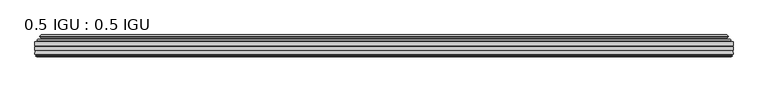
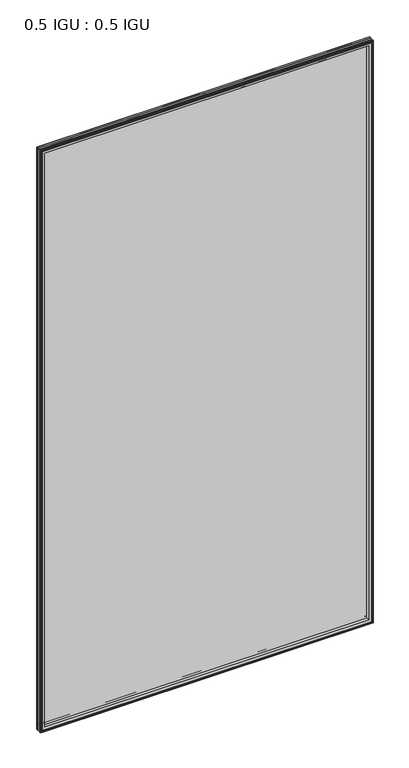
"""IFC4 building model written with IfcOpenShell, lengths in millimetres: plate geometry, 0.5 IGU : 0.5 IGU."""

from ifc_helpers import new_model, si_unit, frame, origin, place, context, project, spatial, polyline, ellipse_curve, outline, extrude, source, transform, mapped, element, save
from ifc_brep_helpers import plane_surface, cylinder_surface, revolved_surface, advanced_brep


def plate_0_5_igu_0_5_igu_6af9eb07(model_context):
    return source(origin(), model_context, "Body", "SolidModel", [
        extrude(outline(polyline([(547.70485, -55.82285), (547.70485, -61.48705), (-547.690675, -61.48705), (-547.690675, -55.82285), (547.70485, -55.82285)])), frame((0.0, 0.0, -14.2875), z_axis=(0.0, 0.0, 1.0), x_axis=(1.0, 0.0, 0.0)), (0.0, 0.0, 1.0), 2025.6537979),
        extrude(outline(polyline([(-547.690675, -69.05625), (-547.690675, -63.39205), (547.70485, -63.39205), (547.70485, -69.05625), (-547.690675, -69.05625)])), frame((0.0, 0.0, -14.2875), z_axis=(0.0, 0.0, 1.0), x_axis=(1.0, 0.0, 0.0)), (0.0, 0.0, 1.0), 2025.6537979),
        advanced_brep(
        [(-543.5881376, -54.3724927, 2007.2599626), (-542.5436128, -51.60645, 2006.2154378), (-542.5436128, -51.60645, -9.1404378), (-543.5881376, -54.3724927, -10.1849626), (-541.951692, -55.82285, 2005.623517), (-541.951692, -55.82285, -8.548517), (-533.403175, -45.63745, 1997.075), (-529.8204511, -55.82285, 1993.4922761), (-529.8204511, -55.82285, 3.5827239), (-533.403175, -45.63745, 0.0), (-538.5890859, -46.8185491, 2002.2609109), (-538.5890859, -46.8185491, -5.1859109), (-537.7920643, -44.8183085, 2001.4638893), (-537.7920643, -44.8183085, -4.3888893), (-540.0757861, -47.135817, 2003.7476111), (-540.0757861, -47.135817, -6.6726111), (-540.0757861, -47.8489429, 2003.7476111), (-540.0757861, -47.8489429, -6.6726111), (-537.7920643, -50.1664515, 2001.4638893), (-537.7920643, -50.1664515, -4.3888893), (-538.5814251, -48.1854367, 2002.2532501), (-538.5814251, -48.1854367, -5.1782501), (-536.0576129, -48.027045, 1999.7294379), (-536.0576129, -48.027045, -2.6544379), (-535.0317967, -48.7147544, 1998.7036217), (-535.0317967, -48.7147544, -1.6286217), (-535.1502038, -50.1092231, 1998.8220288), (-535.1502038, -50.1092231, -1.7470288), (-535.7519498, -51.60645, 1999.4237748), (-535.7519498, -51.60645, -2.3487748), (542.5436128, -51.60645, -9.1404378), (543.5881376, -54.3724927, -10.1849626), (541.951692, -55.82285, -8.548517), (529.8204511, -55.82285, 3.5827239), (533.403175, -45.63745, 0.0), (538.5890859, -46.8185491, -5.1859109), (537.7920643, -44.8183085, -4.3888893), (540.0757861, -47.135817, -6.6726111), (540.0757861, -47.8489429, -6.6726111), (537.7920643, -50.1664515, -4.3888893), (538.5814251, -48.1854367, -5.1782501), (536.0576129, -48.027045, -2.6544379), (535.0317967, -48.7147544, -1.6286217), (535.1502038, -50.1092231, -1.7470288), (535.7519498, -51.60645, -2.3487748), (542.5436128, -51.60645, 2006.2154378), (543.5881376, -54.3724927, 2007.2599626), (541.951692, -55.82285, 2005.623517), (529.8204511, -55.82285, 1993.4922761), (533.403175, -45.63745, 1997.075), (538.5890859, -46.8185491, 2002.2609109), (537.7920643, -44.8183085, 2001.4638893), (540.0757861, -47.135817, 2003.7476111), (540.0757861, -47.8489429, 2003.7476111), (537.7920643, -50.1664515, 2001.4638893), (538.5814251, -48.1854367, 2002.2532501), (536.0576129, -48.027045, 1999.7294379), (535.0317967, -48.7147544, 1998.7036217), (535.1502038, -50.1092231, 1998.8220288), (535.7519498, -51.60645, 1999.4237748)],
        [
            (0, 1, ellipse_curve(frame((-542.5352453, -53.1898501, 2006.2070703), z_axis=(-0.7071067811865475, 0.0, -0.7071067811865475), x_axis=(-0.7071067811865474, 0.0, 0.7071067811865476)), 2.2392971, 1.5834222)),
            (1, 2),
            (2, 3, ellipse_curve(frame((-542.5352453, -53.1898501, -9.1320703), z_axis=(-0.7071067811865475, 0.0, 0.7071067811865475), x_axis=(0.7071067811865474, 0.0, 0.7071067811865476)), 2.2392971, 1.5834222)),
            (3, 0),
            (4, 0),
            (3, 5),
            (5, 4),
            (6, 7, ellipse_curve(frame((-501.123421, -40.0058297, 1964.795246), z_axis=(0.7071067811865475, 0.0, 0.7071067811865475), x_axis=(0.7071067811865474, 0.0, -0.7071067811865476)), 46.3399971, 32.7673262)),
            (7, 8),
            (8, 9, ellipse_curve(frame((-501.123421, -40.0058297, 32.279754), z_axis=(0.7071067811865475, 0.0, -0.7071067811865475), x_axis=(-0.7071067811865474, 0.0, -0.7071067811865476)), 46.3399971, 32.7673262)),
            (9, 6),
            (10, 6),
            (9, 11),
            (11, 10),
            (12, 10),
            (11, 13),
            (13, 12),
            (14, 12),
            (13, 15),
            (15, 14),
            (16, 14, ellipse_curve(frame((-539.7139479, -47.49238, 2003.3857729), z_axis=(-0.7071067811865475, 0.0, -0.7071067811865475), x_axis=(-0.7071067811865474, 0.0, 0.7071067811865476)), 0.7184205, 0.508)),
            (15, 17, ellipse_curve(frame((-539.7139479, -47.49238, -6.3107729), z_axis=(-0.7071067811865475, 0.0, 0.7071067811865475), x_axis=(0.7071067811865474, 0.0, 0.7071067811865476)), 0.7184205, 0.508)),
            (17, 16),
            (18, 16),
            (17, 19),
            (19, 18),
            (20, 18),
            (19, 21),
            (21, 20),
            (22, 20),
            (21, 23),
            (23, 22),
            (24, 22, ellipse_curve(frame((-535.993975, -49.04105, 1999.6658), z_axis=(0.7071067811865475, 0.0, 0.7071067811865475), x_axis=(0.7071067811865474, 0.0, -0.7071067811865476)), 1.436841, 1.016)),
            (23, 25, ellipse_curve(frame((-535.993975, -49.04105, -2.5908), z_axis=(0.7071067811865475, 0.0, -0.7071067811865475), x_axis=(-0.7071067811865474, 0.0, -0.7071067811865476)), 1.436841, 1.016)),
            (25, 24),
            (26, 24, ellipse_curve(frame((-537.365575, -49.21885, 2001.0374), z_axis=(0.7071067811865475, 0.0, 0.7071067811865475), x_axis=(0.7071067811865474, 0.0, -0.7071067811865476)), 3.3765763, 2.3876)),
            (25, 27, ellipse_curve(frame((-537.365575, -49.21885, -3.9624), z_axis=(0.7071067811865475, 0.0, -0.7071067811865475), x_axis=(-0.7071067811865474, 0.0, -0.7071067811865476)), 3.3765763, 2.3876)),
            (27, 26),
            (28, 26),
            (27, 29),
            (29, 28),
            (2, 30),
            (30, 31, ellipse_curve(frame((542.5352453, -53.1898501, -9.1320703), z_axis=(-0.7071067811865475, 0.0, -0.7071067811865475), x_axis=(-0.7071067811865476, 0.0, 0.7071067811865474)), 2.2392971, 1.5834222)),
            (31, 3),
            (31, 32),
            (32, 5),
            (8, 33),
            (33, 34, ellipse_curve(frame((501.123421, -40.0058297, 32.279754), z_axis=(0.7071067811865475, 0.0, 0.7071067811865475), x_axis=(0.7071067811865476, 0.0, -0.7071067811865474)), 46.3399971, 32.7673262)),
            (34, 9),
            (34, 35),
            (35, 11),
            (35, 36),
            (36, 13),
            (36, 37),
            (37, 15),
            (37, 38, ellipse_curve(frame((539.7139479, -47.49238, -6.3107729), z_axis=(-0.7071067811865475, 0.0, -0.7071067811865475), x_axis=(-0.7071067811865476, 0.0, 0.7071067811865474)), 0.7184205, 0.508)),
            (38, 17),
            (38, 39),
            (39, 19),
            (39, 40),
            (40, 21),
            (40, 41),
            (41, 23),
            (41, 42, ellipse_curve(frame((535.993975, -49.04105, -2.5908), z_axis=(0.7071067811865475, 0.0, 0.7071067811865475), x_axis=(0.7071067811865476, 0.0, -0.7071067811865474)), 1.436841, 1.016)),
            (42, 25),
            (42, 43, ellipse_curve(frame((537.365575, -49.21885, -3.9624), z_axis=(0.7071067811865475, 0.0, 0.7071067811865475), x_axis=(0.7071067811865476, 0.0, -0.7071067811865474)), 3.3765763, 2.3876)),
            (43, 27),
            (43, 44),
            (44, 29),
            (30, 45),
            (45, 46, ellipse_curve(frame((542.5352453, -53.1898501, 2006.2070703), z_axis=(0.7071067811865475, 0.0, -0.7071067811865475), x_axis=(-0.7071067811865474, 0.0, -0.7071067811865476)), 2.2392971, 1.5834222)),
            (46, 31),
            (46, 47),
            (47, 32),
            (33, 48),
            (48, 49, ellipse_curve(frame((501.123421, -40.0058297, 1964.795246), z_axis=(-0.7071067811865475, 0.0, 0.7071067811865475), x_axis=(0.7071067811865474, 0.0, 0.7071067811865476)), 46.3399971, 32.7673262)),
            (49, 34),
            (49, 50),
            (50, 35),
            (50, 51),
            (51, 36),
            (51, 52),
            (52, 37),
            (52, 53, ellipse_curve(frame((539.7139479, -47.49238, 2003.3857729), z_axis=(0.7071067811865475, 0.0, -0.7071067811865475), x_axis=(-0.7071067811865474, 0.0, -0.7071067811865476)), 0.7184205, 0.508)),
            (53, 38),
            (53, 54),
            (54, 39),
            (54, 55),
            (55, 40),
            (55, 56),
            (56, 41),
            (56, 57, ellipse_curve(frame((535.993975, -49.04105, 1999.6658), z_axis=(-0.7071067811865475, 0.0, 0.7071067811865475), x_axis=(0.7071067811865474, 0.0, 0.7071067811865476)), 1.436841, 1.016)),
            (57, 42),
            (57, 58, ellipse_curve(frame((537.365575, -49.21885, 2001.0374), z_axis=(-0.7071067811865475, 0.0, 0.7071067811865475), x_axis=(0.7071067811865474, 0.0, 0.7071067811865476)), 3.3765763, 2.3876)),
            (58, 43),
            (58, 59),
            (59, 44),
            (45, 1),
            (0, 46),
            (4, 47),
            (7, 48),
            (6, 49),
            (10, 50),
            (12, 51),
            (14, 52),
            (16, 53),
            (18, 54),
            (20, 55),
            (22, 56),
            (24, 57),
            (26, 58),
            (28, 59),
        ],
        [
            cylinder_surface(frame((-542.5352453, -53.1898501, 2028.825), z_axis=(0.0, 0.0, 1.0), x_axis=(-1.0, 0.0, 0.0)), 1.5834222),
            plane_surface(frame((-543.5881376, -54.3724927, 2007.2599626), z_axis=(-0.6632745773184306, -0.7483761320907135, 0.0), x_axis=(0.0, 0.0, -1.0))),
            revolved_surface(polyline([(-533.8907472, -40.0058297, -0.48757218957507575), (-533.8907472, -40.0058297, 1997.562572189575)]), (-501.123421, -40.0058297, 2028.825), (0.0, 0.0, -1.0)),
            plane_surface(frame((-533.403175, -45.63745, 1997.075), z_axis=(-0.22206498442787428, 0.975031867525902, 0.0), x_axis=(0.0, 0.0, -1.0))),
            plane_surface(frame((-538.5890859, -46.8185491, 2002.2609109), z_axis=(0.9289682685630282, -0.370159365683228, 0.0), x_axis=(0.0, 0.0, -1.0))),
            plane_surface(frame((-537.7920643, -44.8183085, 2001.4638893), z_axis=(-0.7122798501733507, 0.7018955869907071, 0.0), x_axis=(0.0, 0.0, -1.0))),
            cylinder_surface(frame((-539.7139479, -47.49238, 2028.825), z_axis=(0.0, 0.0, 1.0), x_axis=(-1.0, 0.0, 0.0)), 0.508),
            plane_surface(frame((-540.0757861, -47.8489429, 2003.7476111), z_axis=(-0.7122798501732925, -0.701895586990766, 0.0), x_axis=(0.0, 0.0, -1.0))),
            plane_surface(frame((-537.7920643, -50.1664515, 2001.4638893), z_axis=(0.9289682685628707, 0.3701593656836228, 0.0), x_axis=(0.0, 0.0, -1.0))),
            plane_surface(frame((-538.5814251, -48.1854367, 2002.2532501), z_axis=(0.06263570119284978, -0.9980364567169279, 0.0), x_axis=(0.0, 0.0, -1.0))),
            revolved_surface(polyline([(-537.0099749999999, -49.04105, -3.6068000145867245), (-537.0099749999999, -49.04105, 2000.6818000145868)]), (-535.993975, -49.04105, 2028.825), (0.0, 0.0, -1.0)),
            revolved_surface(polyline([(-539.753175, -49.21885, -6.3499999989237494), (-539.753175, -49.21885, 2003.4249999989238)]), (-537.365575, -49.21885, 2028.825), (0.0, 0.0, -1.0)),
            plane_surface(frame((-535.1502038, -50.1092231, 1998.8220288), z_axis=(-0.9278652925428184, 0.3729155385532094, 0.0), x_axis=(0.0, 0.0, -1.0))),
            cylinder_surface(frame((-565.153175, -53.1898501, -9.1320703), z_axis=(-1.0, 0.0, 0.0), x_axis=(0.0, 0.0, -1.0)), 1.5834222),
            plane_surface(frame((-543.5881376, -54.3724927, -10.1849626), z_axis=(0.0, -0.7483761320907157, -0.6632745773184283), x_axis=(1.0, 0.0, 0.0))),
            revolved_surface(polyline([(533.8907471895751, -40.0058297, -0.48757220000000245), (-533.890747189575, -40.0058297, -0.48757220000000245)]), (-565.153175, -40.0058297, 32.279754), (1.0, 0.0, 0.0)),
            plane_surface(frame((-533.403175, -45.63745, 0.0), z_axis=(0.0, 0.9750318675259013, -0.22206498442787745), x_axis=(1.0, 0.0, 0.0))),
            plane_surface(frame((-538.5890859, -46.8185491, -5.1859109), z_axis=(0.0, -0.370159365683225, 0.9289682685630294), x_axis=(1.0, 0.0, 0.0))),
            plane_surface(frame((-537.7920643, -44.8183085, -4.3888893), z_axis=(0.0, 0.7018955869907048, -0.7122798501733529), x_axis=(1.0, 0.0, 0.0))),
            cylinder_surface(frame((-565.153175, -47.49238, -6.3107729), z_axis=(-1.0, 0.0, 0.0), x_axis=(0.0, 0.0, -1.0)), 0.508),
            plane_surface(frame((-540.0757861, -47.8489429, -6.6726111), z_axis=(0.0, -0.7018955869907684, -0.7122798501732903), x_axis=(1.0, 0.0, 0.0))),
            plane_surface(frame((-537.7920643, -50.1664515, -4.3888893), z_axis=(0.0, 0.37015936568362584, 0.9289682685628696), x_axis=(1.0, 0.0, 0.0))),
            plane_surface(frame((-538.5814251, -48.1854367, -5.1782501), z_axis=(0.0, -0.9980364567169276, 0.06263570119285301), x_axis=(1.0, 0.0, 0.0))),
            revolved_surface(polyline([(537.0099750145868, -49.04105, -3.6068000000000002), (-537.0099750145869, -49.04105, -3.6068000000000002)]), (-565.153175, -49.04105, -2.5908), (1.0, 0.0, 0.0)),
            revolved_surface(polyline([(539.753174998924, -49.21885, -6.35), (-539.7531749989238, -49.21885, -6.35)]), (-565.153175, -49.21885, -3.9624), (1.0, 0.0, 0.0)),
            plane_surface(frame((-535.1502038, -50.1092231, -1.7470288), z_axis=(0.0, 0.3729155385532064, -0.9278652925428196), x_axis=(1.0, 0.0, 0.0))),
            cylinder_surface(frame((542.5352453, -53.1898501, -31.75), z_axis=(0.0, 0.0, -1.0), x_axis=(1.0, 0.0, 0.0)), 1.5834222),
            plane_surface(frame((543.5881376, -54.3724927, -10.1849626), z_axis=(0.6632745773184259, -0.7483761320907178, 0.0), x_axis=(0.0, 0.0, 1.0))),
            revolved_surface(polyline([(533.8907472, -40.0058297, 1997.562572189575), (533.8907472, -40.0058297, -0.48757218957494075)]), (501.123421, -40.0058297, -31.75), (0.0, 0.0, 1.0)),
            plane_surface(frame((533.403175, -45.63745, 0.0), z_axis=(0.22206498442788059, 0.9750318675259005, 0.0), x_axis=(0.0, 0.0, 1.0))),
            plane_surface(frame((538.5890859, -46.8185491, -5.1859109), z_axis=(-0.9289682685630306, -0.370159365683222, 0.0), x_axis=(0.0, 0.0, 1.0))),
            plane_surface(frame((537.7920643, -44.8183085, -4.3888893), z_axis=(0.7122798501733552, 0.7018955869907024, 0.0), x_axis=(0.0, 0.0, 1.0))),
            cylinder_surface(frame((539.7139479, -47.49238, -31.75), z_axis=(0.0, 0.0, -1.0), x_axis=(1.0, 0.0, 0.0)), 0.508),
            plane_surface(frame((540.0757861, -47.8489429, -6.6726111), z_axis=(0.712279850173288, -0.7018955869907706, 0.0), x_axis=(0.0, 0.0, 1.0))),
            plane_surface(frame((537.7920643, -50.1664515, -4.3888893), z_axis=(-0.9289682685628684, 0.37015936568362884, 0.0), x_axis=(0.0, 0.0, 1.0))),
            plane_surface(frame((538.5814251, -48.1854367, -5.1782501), z_axis=(-0.06263570119285625, -0.9980364567169274, 0.0), x_axis=(0.0, 0.0, 1.0))),
            revolved_surface(polyline([(537.0099749999999, -49.04105, 2000.6818000145868), (537.0099749999999, -49.04105, -3.606800014586863)]), (535.993975, -49.04105, -31.75), (0.0, 0.0, 1.0)),
            revolved_surface(polyline([(539.753175, -49.21885, 2003.4249999989238), (539.753175, -49.21885, -6.349999998923781)]), (537.365575, -49.21885, -31.75), (0.0, 0.0, 1.0)),
            plane_surface(frame((535.1502038, -50.1092231, -1.7470288), z_axis=(0.9278652925428208, 0.3729155385532034, 0.0), x_axis=(0.0, 0.0, 1.0))),
            cylinder_surface(frame((565.153175, -53.1898501, 2006.2070703), z_axis=(1.0, 0.0, 0.0), x_axis=(0.0, 0.0, 1.0)), 1.5834222),
            plane_surface(frame((543.5881376, -54.3724927, 2007.2599626), z_axis=(0.0, -0.7483761320907157, 0.6632745773184283), x_axis=(-1.0, 0.0, 0.0))),
            plane_surface(frame((541.951692, -55.82285, 2005.623517), z_axis=(0.0, -1.0, 0.0), x_axis=(-1.0, 0.0, 0.0))),
            revolved_surface(polyline([(-533.8907471895751, -40.0058297, 1997.5625722), (533.890747189575, -40.0058297, 1997.5625722)]), (565.153175, -40.0058297, 1964.795246), (-1.0, 0.0, 0.0)),
            plane_surface(frame((533.403175, -45.63745, 1997.075), z_axis=(0.0, 0.9750318675259012, 0.22206498442787742), x_axis=(-1.0, 0.0, 0.0))),
            plane_surface(frame((538.5890859, -46.8185491, 2002.2609109), z_axis=(0.0, -0.370159365683225, -0.9289682685630294), x_axis=(-1.0, 0.0, 0.0))),
            plane_surface(frame((537.7920643, -44.8183085, 2001.4638893), z_axis=(0.0, 0.7018955869907048, 0.7122798501733529), x_axis=(-1.0, 0.0, 0.0))),
            cylinder_surface(frame((565.153175, -47.49238, 2003.3857729), z_axis=(1.0, 0.0, 0.0), x_axis=(0.0, 0.0, 1.0)), 0.508),
            plane_surface(frame((540.0757861, -47.8489429, 2003.7476111), z_axis=(0.0, -0.7018955869907684, 0.7122798501732903), x_axis=(-1.0, 0.0, 0.0))),
            plane_surface(frame((537.7920643, -50.1664515, 2001.4638893), z_axis=(0.0, 0.37015936568362584, -0.9289682685628696), x_axis=(-1.0, 0.0, 0.0))),
            plane_surface(frame((538.5814251, -48.1854367, 2002.2532501), z_axis=(0.0, -0.9980364567169276, -0.06263570119285301), x_axis=(-1.0, 0.0, 0.0))),
            revolved_surface(polyline([(-537.0099750145868, -49.04105, 2000.6818), (537.0099750145869, -49.04105, 2000.6818)]), (565.153175, -49.04105, 1999.6658), (-1.0, 0.0, 0.0)),
            revolved_surface(polyline([(-539.753174998924, -49.21885, 2003.425), (539.7531749989238, -49.21885, 2003.425)]), (565.153175, -49.21885, 2001.0374), (-1.0, 0.0, 0.0)),
            plane_surface(frame((535.1502038, -50.1092231, 1998.8220288), z_axis=(0.0, 0.3729155385532064, 0.9278652925428196), x_axis=(-1.0, 0.0, 0.0))),
            plane_surface(frame((535.7519498, -51.60645, 1999.4237748), z_axis=(0.0, 1.0, 0.0), x_axis=(-1.0, 0.0, 0.0))),
        ],
        [
            (0, [[1, 2, 3, 4]]),
            (1, [[5, -4, 6, 7]]),
            (2, [[8, 9, 10, 11]]),
            (3, [[12, -11, 13, 14]]),
            (4, [[15, -14, 16, 17]]),
            (5, [[18, -17, 19, 20]]),
            (6, [[21, -20, 22, 23]]),
            (7, [[24, -23, 25, 26]]),
            (8, [[27, -26, 28, 29]]),
            (9, [[30, -29, 31, 32]]),
            (10, [[33, -32, 34, 35]]),
            (11, [[36, -35, 37, 38]]),
            (12, [[39, -38, 40, 41]]),
            (13, [[-3, 42, 43, 44]]),
            (14, [[-6, -44, 45, 46]]),
            (15, [[-10, 47, 48, 49]]),
            (16, [[-13, -49, 50, 51]]),
            (17, [[-16, -51, 52, 53]]),
            (18, [[-19, -53, 54, 55]]),
            (19, [[-22, -55, 56, 57]]),
            (20, [[-25, -57, 58, 59]]),
            (21, [[-28, -59, 60, 61]]),
            (22, [[-31, -61, 62, 63]]),
            (23, [[-34, -63, 64, 65]]),
            (24, [[-37, -65, 66, 67]]),
            (25, [[-40, -67, 68, 69]]),
            (26, [[-43, 70, 71, 72]]),
            (27, [[-45, -72, 73, 74]]),
            (28, [[-48, 75, 76, 77]]),
            (29, [[-50, -77, 78, 79]]),
            (30, [[-52, -79, 80, 81]]),
            (31, [[-54, -81, 82, 83]]),
            (32, [[-56, -83, 84, 85]]),
            (33, [[-58, -85, 86, 87]]),
            (34, [[-60, -87, 88, 89]]),
            (35, [[-62, -89, 90, 91]]),
            (36, [[-64, -91, 92, 93]]),
            (37, [[-66, -93, 94, 95]]),
            (38, [[-68, -95, 96, 97]]),
            (39, [[-71, 98, -1, 99]]),
            (40, [[-73, -99, -5, 100]]),
            (41, [[-46, -74, -100, -7], [101, -75, -47, -9]]),
            (42, [[-76, -101, -8, 102]]),
            (43, [[-78, -102, -12, 103]]),
            (44, [[-80, -103, -15, 104]]),
            (45, [[-82, -104, -18, 105]]),
            (46, [[-84, -105, -21, 106]]),
            (47, [[-86, -106, -24, 107]]),
            (48, [[-88, -107, -27, 108]]),
            (49, [[-90, -108, -30, 109]]),
            (50, [[-92, -109, -33, 110]]),
            (51, [[-94, -110, -36, 111]]),
            (52, [[-96, -111, -39, 112]]),
            (53, [[-98, -70, -42, -2], [-69, -97, -112, -41]]),
        ],
    ),
        advanced_brep(
        [(-547.703375, -75.40625, 2011.3752), (-547.0085912, -69.7476901, 2010.6804162), (-547.0085912, -69.7476901, -13.6054162), (-547.703375, -75.40625, -14.3002), (-545.315775, -77.3973143, 2008.9876), (-545.772975, -75.40625, 2009.4448), (-545.772975, -75.40625, -12.3698), (-545.315775, -77.3973143, -11.9126), (-546.3171369, -77.1290001, 2009.9889619), (-546.3171369, -77.1290001, -12.9139619), (-546.560375, -78.0367772, 2010.2322), (-546.560375, -78.0367772, -13.1572), (-544.528375, -78.58125, 2008.2002), (-544.528375, -78.58125, -11.1252), (-542.496375, -78.0367772, 2006.1682), (-542.496375, -78.0367772, -9.0932), (-542.7396131, -77.1290001, 2006.4114381), (-542.7396131, -77.1290001, -9.3364381), (-543.740975, -77.3973143, 2007.4128), (-543.740975, -77.3973143, -10.3378), (-543.283775, -75.40625, 2006.9556), (-543.283775, -75.40625, -9.8806), (-529.8137119, -69.05625, 1993.4855369), (-533.403175, -75.40625, 1997.075), (-533.403175, -75.40625, 0.0), (-529.8137119, -69.05625, 3.5894631), (-546.2270604, -69.05625, 2009.8988854), (-546.2270604, -69.05625, -12.8238854), (547.0085912, -69.7476901, -13.6054162), (547.703375, -75.40625, -14.3002), (545.772975, -75.40625, -12.3698), (545.315775, -77.3973143, -11.9126), (546.3171369, -77.1290001, -12.9139619), (546.560375, -78.0367772, -13.1572), (544.528375, -78.58125, -11.1252), (542.496375, -78.0367772, -9.0932), (542.7396131, -77.1290001, -9.3364381), (543.740975, -77.3973143, -10.3378), (543.283775, -75.40625, -9.8806), (533.403175, -75.40625, 0.0), (529.8137119, -69.05625, 3.5894631), (546.2270604, -69.05625, -12.8238854), (547.0085912, -69.7476901, 2010.6804162), (547.703375, -75.40625, 2011.3752), (545.772975, -75.40625, 2009.4448), (545.315775, -77.3973143, 2008.9876), (546.3171369, -77.1290001, 2009.9889619), (546.560375, -78.0367772, 2010.2322), (544.528375, -78.58125, 2008.2002), (542.496375, -78.0367772, 2006.1682), (542.7396131, -77.1290001, 2006.4114381), (543.740975, -77.3973143, 2007.4128), (543.283775, -75.40625, 2006.9556), (533.403175, -75.40625, 1997.075), (529.8137119, -69.05625, 1993.4855369), (546.2270604, -69.05625, 2009.8988854)],
        [
            (0, 1),
            (1, 2),
            (2, 3),
            (3, 0),
            (4, 5),
            (5, 6),
            (6, 7),
            (7, 4),
            (8, 4),
            (7, 9),
            (9, 8),
            (10, 8),
            (9, 11),
            (11, 10),
            (12, 10),
            (11, 13),
            (13, 12),
            (14, 12),
            (13, 15),
            (15, 14),
            (16, 14),
            (15, 17),
            (17, 16),
            (18, 16),
            (17, 19),
            (19, 18),
            (20, 18),
            (19, 21),
            (21, 20),
            (22, 23, ellipse_curve(frame((-524.9268864, -76.0081323, 1988.5987114), z_axis=(0.7071067811865475, 0.0, 0.7071067811865475), x_axis=(0.7071067811865474, 0.0, -0.7071067811865476)), 12.0174649, 8.4976309)),
            (23, 24),
            (24, 25, ellipse_curve(frame((-524.9268864, -76.0081323, 8.4762886), z_axis=(0.7071067811865475, 0.0, -0.7071067811865475), x_axis=(-0.7071067811865474, 0.0, -0.7071067811865476)), 12.0174649, 8.4976309)),
            (25, 22),
            (1, 26, ellipse_curve(frame((-546.2270604, -69.84365, 2009.8988854), z_axis=(-0.7071067811865475, 0.0, -0.7071067811865475), x_axis=(-0.7071067811865474, 0.0, 0.7071067811865476)), 1.1135518, 0.7874)),
            (26, 27),
            (27, 2, ellipse_curve(frame((-546.2270604, -69.84365, -12.8238854), z_axis=(-0.7071067811865475, 0.0, 0.7071067811865475), x_axis=(0.7071067811865474, 0.0, 0.7071067811865476)), 1.1135518, 0.7874)),
            (2, 28),
            (28, 29),
            (29, 3),
            (6, 30),
            (30, 31),
            (31, 7),
            (31, 32),
            (32, 9),
            (32, 33),
            (33, 11),
            (33, 34),
            (34, 13),
            (34, 35),
            (35, 15),
            (35, 36),
            (36, 17),
            (36, 37),
            (37, 19),
            (37, 38),
            (38, 21),
            (24, 39),
            (39, 40, ellipse_curve(frame((524.9268864, -76.0081323, 8.4762886), z_axis=(0.7071067811865475, 0.0, 0.7071067811865475), x_axis=(0.7071067811865476, 0.0, -0.7071067811865474)), 12.0174649, 8.4976309)),
            (40, 25),
            (27, 41),
            (41, 28, ellipse_curve(frame((546.2270604, -69.84365, -12.8238854), z_axis=(-0.7071067811865475, 0.0, -0.7071067811865475), x_axis=(-0.7071067811865476, 0.0, 0.7071067811865474)), 1.1135518, 0.7874)),
            (28, 42),
            (42, 43),
            (43, 29),
            (30, 44),
            (44, 45),
            (45, 31),
            (45, 46),
            (46, 32),
            (46, 47),
            (47, 33),
            (47, 48),
            (48, 34),
            (48, 49),
            (49, 35),
            (49, 50),
            (50, 36),
            (50, 51),
            (51, 37),
            (51, 52),
            (52, 38),
            (39, 53),
            (53, 54, ellipse_curve(frame((524.9268864, -76.0081323, 1988.5987114), z_axis=(-0.7071067811865475, 0.0, 0.7071067811865475), x_axis=(0.7071067811865474, 0.0, 0.7071067811865476)), 12.0174649, 8.4976309)),
            (54, 40),
            (41, 55),
            (55, 42, ellipse_curve(frame((546.2270604, -69.84365, 2009.8988854), z_axis=(0.7071067811865475, 0.0, -0.7071067811865475), x_axis=(-0.7071067811865474, 0.0, -0.7071067811865476)), 1.1135518, 0.7874)),
            (42, 1),
            (0, 43),
            (5, 44),
            (4, 45),
            (8, 46),
            (10, 47),
            (12, 48),
            (14, 49),
            (16, 50),
            (18, 51),
            (20, 52),
            (23, 53),
            (22, 54),
            (26, 55),
        ],
        [
            plane_surface(frame((-547.0085912, -69.7476901, 2010.6804162), z_axis=(-0.992546151641325, 0.12186934340512405, 0.0), x_axis=(0.0, 0.0, -1.0))),
            plane_surface(frame((-545.772975, -75.40625, 2009.4448), z_axis=(-0.9746347637895902, -0.22380142361658395, 0.0), x_axis=(0.0, 0.0, -1.0))),
            plane_surface(frame((-545.315775, -77.3973143, 2008.9876), z_axis=(0.2588190451026526, 0.965925826289033, 0.0), x_axis=(0.0, 0.0, -1.0))),
            plane_surface(frame((-546.3171369, -77.1290001, 2009.9889619), z_axis=(-0.9659258262890449, 0.2588190451026083, 0.0), x_axis=(0.0, 0.0, -1.0))),
            plane_surface(frame((-546.560375, -78.0367772, 2010.2322), z_axis=(-0.2588190451024403, -0.96592582628909, 0.0), x_axis=(0.0, 0.0, -1.0))),
            plane_surface(frame((-544.528375, -78.58125, 2008.2002), z_axis=(0.2588190451025434, -0.9659258262890623, 0.0), x_axis=(0.0, 0.0, -1.0))),
            plane_surface(frame((-542.496375, -78.0367772, 2006.1682), z_axis=(0.9659258262891713, 0.25881904510213655, 0.0), x_axis=(0.0, 0.0, -1.0))),
            plane_surface(frame((-542.7396131, -77.1290001, 2006.4114381), z_axis=(-0.25881904510234177, 0.9659258262891163, 0.0), x_axis=(0.0, 0.0, -1.0))),
            plane_surface(frame((-543.740975, -77.3973143, 2007.4128), z_axis=(0.9746347637895849, -0.22380142361660746, 0.0), x_axis=(0.0, 0.0, -1.0))),
            revolved_surface(polyline([(-533.4245172999999, -76.0081323, -0.021342323461112755), (-533.4245172999999, -76.0081323, 1997.0963423234612)]), (-524.9268864, -76.0081323, 2028.825), (0.0, 0.0, -1.0)),
            cylinder_surface(frame((-546.2270604, -69.84365, 2028.825), z_axis=(0.0, 0.0, 1.0), x_axis=(-1.0, 0.0, 0.0)), 0.7874),
            plane_surface(frame((-547.0085912, -69.7476901, -13.6054162), z_axis=(0.0, 0.12186934340512084, -0.9925461516413254), x_axis=(1.0, 0.0, 0.0))),
            plane_surface(frame((-545.772975, -75.40625, -12.3698), z_axis=(0.0, -0.22380142361658714, -0.9746347637895896), x_axis=(1.0, 0.0, 0.0))),
            plane_surface(frame((-545.315775, -77.3973143, -11.9126), z_axis=(0.0, 0.9659258262890339, 0.25881904510264947), x_axis=(1.0, 0.0, 0.0))),
            plane_surface(frame((-546.3171369, -77.1290001, -12.9139619), z_axis=(0.0, 0.25881904510260517, -0.9659258262890458), x_axis=(1.0, 0.0, 0.0))),
            plane_surface(frame((-546.560375, -78.0367772, -13.1572), z_axis=(0.0, -0.9659258262890907, -0.25881904510243714), x_axis=(1.0, 0.0, 0.0))),
            plane_surface(frame((-544.528375, -78.58125, -11.1252), z_axis=(0.0, -0.9659258262890614, 0.2588190451025465), x_axis=(1.0, 0.0, 0.0))),
            plane_surface(frame((-542.496375, -78.0367772, -9.0932), z_axis=(0.0, 0.25881904510213966, 0.9659258262891705), x_axis=(1.0, 0.0, 0.0))),
            plane_surface(frame((-542.7396131, -77.1290001, -9.3364381), z_axis=(0.0, 0.9659258262891154, -0.2588190451023449), x_axis=(1.0, 0.0, 0.0))),
            plane_surface(frame((-543.740975, -77.3973143, -10.3378), z_axis=(0.0, -0.2238014236166043, 0.9746347637895857), x_axis=(1.0, 0.0, 0.0))),
            revolved_surface(polyline([(533.4245173234611, -76.0081323, -0.02134230000000059), (-533.4245173234613, -76.0081323, -0.02134230000000059)]), (-565.153175, -76.0081323, 8.4762886), (1.0, 0.0, 0.0)),
            cylinder_surface(frame((-565.153175, -69.84365, -12.8238854), z_axis=(-1.0, 0.0, 0.0), x_axis=(0.0, 0.0, -1.0)), 0.7874),
            plane_surface(frame((547.0085912, -69.7476901, -13.6054162), z_axis=(0.9925461516413259, 0.12186934340511764, 0.0), x_axis=(0.0, 0.0, 1.0))),
            plane_surface(frame((545.772975, -75.40625, -12.3698), z_axis=(0.9746347637895888, -0.2238014236165903, 0.0), x_axis=(0.0, 0.0, 1.0))),
            plane_surface(frame((545.315775, -77.3973143, -11.9126), z_axis=(-0.25881904510264636, 0.9659258262890348, 0.0), x_axis=(0.0, 0.0, 1.0))),
            plane_surface(frame((546.3171369, -77.1290001, -12.9139619), z_axis=(0.9659258262890467, 0.25881904510260206, 0.0), x_axis=(0.0, 0.0, 1.0))),
            plane_surface(frame((546.560375, -78.0367772, -13.1572), z_axis=(0.25881904510243403, -0.9659258262890916, 0.0), x_axis=(0.0, 0.0, 1.0))),
            plane_surface(frame((544.528375, -78.58125, -11.1252), z_axis=(-0.25881904510254966, -0.9659258262890607, 0.0), x_axis=(0.0, 0.0, 1.0))),
            plane_surface(frame((542.496375, -78.0367772, -9.0932), z_axis=(-0.9659258262891696, 0.25881904510214276, 0.0), x_axis=(0.0, 0.0, 1.0))),
            plane_surface(frame((542.7396131, -77.1290001, -9.3364381), z_axis=(0.25881904510234804, 0.9659258262891146, 0.0), x_axis=(0.0, 0.0, 1.0))),
            plane_surface(frame((543.740975, -77.3973143, -10.3378), z_axis=(-0.9746347637895865, -0.22380142361660113, 0.0), x_axis=(0.0, 0.0, 1.0))),
            revolved_surface(polyline([(533.4245172999999, -76.0081323, 1997.0963423234612), (533.4245172999999, -76.0081323, -0.021342323461311707)]), (524.9268864, -76.0081323, -31.75), (0.0, 0.0, 1.0)),
            cylinder_surface(frame((546.2270604, -69.84365, -31.75), z_axis=(0.0, 0.0, -1.0), x_axis=(1.0, 0.0, 0.0)), 0.7874),
            plane_surface(frame((547.0085912, -69.7476901, 2010.6804162), z_axis=(0.0, 0.12186934340512084, 0.9925461516413254), x_axis=(-1.0, 0.0, 0.0))),
            plane_surface(frame((547.703375, -75.40625, 2011.3752), z_axis=(0.0, -1.0, 0.0), x_axis=(-1.0, 0.0, 0.0))),
            plane_surface(frame((545.772975, -75.40625, 2009.4448), z_axis=(0.0, -0.22380142361658714, 0.9746347637895896), x_axis=(-1.0, 0.0, 0.0))),
            plane_surface(frame((545.315775, -77.3973143, 2008.9876), z_axis=(0.0, 0.9659258262890339, -0.25881904510264947), x_axis=(-1.0, 0.0, 0.0))),
            plane_surface(frame((546.3171369, -77.1290001, 2009.9889619), z_axis=(0.0, 0.25881904510260517, 0.9659258262890458), x_axis=(-1.0, 0.0, 0.0))),
            plane_surface(frame((546.560375, -78.0367772, 2010.2322), z_axis=(0.0, -0.9659258262890907, 0.25881904510243714), x_axis=(-1.0, 0.0, 0.0))),
            plane_surface(frame((544.528375, -78.58125, 2008.2002), z_axis=(0.0, -0.9659258262890614, -0.25881904510254655), x_axis=(-1.0, 0.0, 0.0))),
            plane_surface(frame((542.496375, -78.0367772, 2006.1682), z_axis=(0.0, 0.25881904510213966, -0.9659258262891705), x_axis=(-1.0, 0.0, 0.0))),
            plane_surface(frame((542.7396131, -77.1290001, 2006.4114381), z_axis=(0.0, 0.9659258262891155, 0.25881904510234494), x_axis=(-1.0, 0.0, 0.0))),
            plane_surface(frame((543.740975, -77.3973143, 2007.4128), z_axis=(0.0, -0.2238014236166043, -0.9746347637895857), x_axis=(-1.0, 0.0, 0.0))),
            plane_surface(frame((543.283775, -75.40625, 2006.9556), z_axis=(0.0, -1.0, 0.0), x_axis=(-1.0, 0.0, 0.0))),
            revolved_surface(polyline([(-533.4245173234611, -76.0081323, 1997.0963423), (533.4245173234613, -76.0081323, 1997.0963423)]), (565.153175, -76.0081323, 1988.5987114), (-1.0, 0.0, 0.0)),
            plane_surface(frame((529.8137119, -69.05625, 1993.4855369), z_axis=(0.0, 1.0, 0.0), x_axis=(-1.0, 0.0, 0.0))),
            cylinder_surface(frame((565.153175, -69.84365, 2009.8988854), z_axis=(1.0, 0.0, 0.0), x_axis=(0.0, 0.0, 1.0)), 0.7874),
        ],
        [
            (0, [[1, 2, 3, 4]]),
            (1, [[5, 6, 7, 8]]),
            (2, [[9, -8, 10, 11]]),
            (3, [[12, -11, 13, 14]]),
            (4, [[15, -14, 16, 17]]),
            (5, [[18, -17, 19, 20]]),
            (6, [[21, -20, 22, 23]]),
            (7, [[24, -23, 25, 26]]),
            (8, [[27, -26, 28, 29]]),
            (9, [[30, 31, 32, 33]]),
            (10, [[34, 35, 36, -2]]),
            (11, [[-3, 37, 38, 39]]),
            (12, [[-7, 40, 41, 42]]),
            (13, [[-10, -42, 43, 44]]),
            (14, [[-13, -44, 45, 46]]),
            (15, [[-16, -46, 47, 48]]),
            (16, [[-19, -48, 49, 50]]),
            (17, [[-22, -50, 51, 52]]),
            (18, [[-25, -52, 53, 54]]),
            (19, [[-28, -54, 55, 56]]),
            (20, [[-32, 57, 58, 59]]),
            (21, [[-36, 60, 61, -37]]),
            (22, [[-38, 62, 63, 64]]),
            (23, [[-41, 65, 66, 67]]),
            (24, [[-43, -67, 68, 69]]),
            (25, [[-45, -69, 70, 71]]),
            (26, [[-47, -71, 72, 73]]),
            (27, [[-49, -73, 74, 75]]),
            (28, [[-51, -75, 76, 77]]),
            (29, [[-53, -77, 78, 79]]),
            (30, [[-55, -79, 80, 81]]),
            (31, [[-58, 82, 83, 84]]),
            (32, [[-61, 85, 86, -62]]),
            (33, [[-63, 87, -1, 88]]),
            (34, [[-39, -64, -88, -4], [89, -65, -40, -6]]),
            (35, [[-66, -89, -5, 90]]),
            (36, [[-68, -90, -9, 91]]),
            (37, [[-70, -91, -12, 92]]),
            (38, [[-72, -92, -15, 93]]),
            (39, [[-74, -93, -18, 94]]),
            (40, [[-76, -94, -21, 95]]),
            (41, [[-78, -95, -24, 96]]),
            (42, [[-80, -96, -27, 97]]),
            (43, [[-56, -81, -97, -29], [98, -82, -57, -31]]),
            (44, [[-83, -98, -30, 99]]),
            (45, [[100, -85, -60, -35], [-59, -84, -99, -33]]),
            (46, [[-86, -100, -34, -87]]),
        ],
    ),
    ])


if __name__ == "__main__":
    model = new_model("IFC4")
    model_context = context("Model", 3, world=origin())
    ifc_project = project(units=[si_unit("LENGTHUNIT", "METRE", prefix="MILLI")], contexts=[model_context])
    site = spatial("IfcSite", under=ifc_project)
    building = spatial("IfcBuilding", under=site)
    placement = place(None, origin())
    plate_0_5_igu_0_5_igu_shape = plate_0_5_igu_0_5_igu_6af9eb07(model_context)
    element("IfcPlate", 1, ObjectType="0.5 IGU : 0.5 IGU", at=placement, inside=building, context=model_context, shape_type="MappedRepresentation", body=[
        mapped(plate_0_5_igu_0_5_igu_shape, transform((0.0, 0.0, 0.0), x_axis=(1.0, 0.0, 0.0), y_axis=(0.0, 1.0, 0.0), z_axis=(0.0, 0.0, 1.0))),
    ])
    save(model, "model.ifc")
